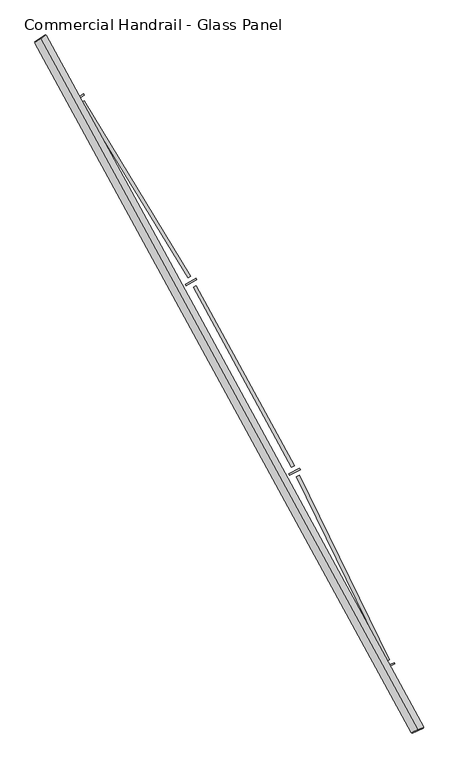
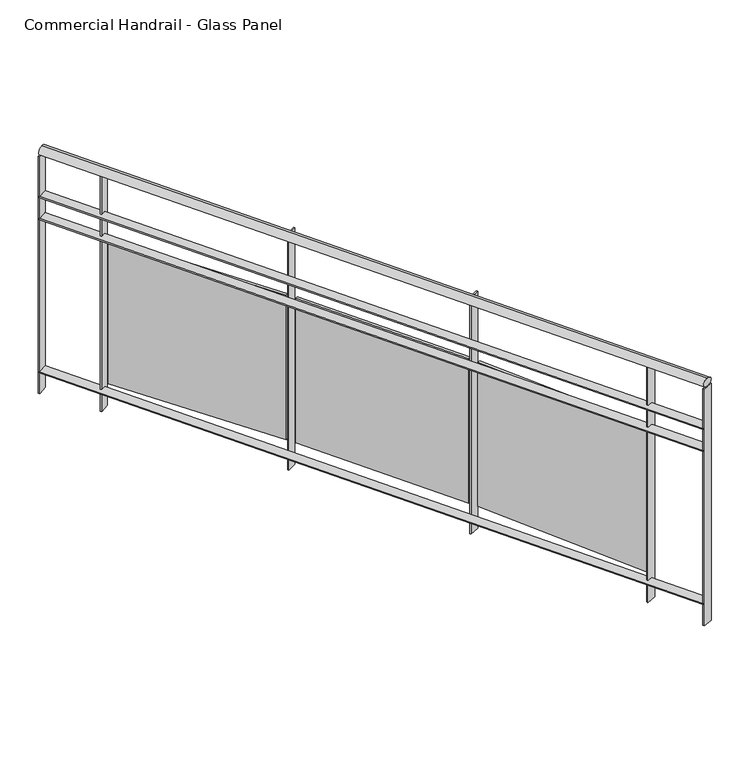
"""IFC4 building model written with IfcOpenShell, lengths in millimetres: railing geometry, Commercial Handrail - Glass Panel."""

from ifc_helpers import new_model, si_unit, point, frame, origin, place, context, project, spatial, polyline, circle_curve, ellipse_curve, trimmed, outline, extrude, source, transform, mapped, element, save
from ifc_brep_helpers import plane_surface, cylinder_surface, revolved_surface, advanced_brep


def commercial_handrail_glass_panel_5b20553d(model_context):
    return source(origin(), model_context, "Body", "SolidModel", [
        advanced_brep(
        [(152681.2087099, -42805.7971709, 19682.5), (154079.9485011, -45365.2391742, 19682.5), (154079.9485011, -45365.2391742, 19717.5), (152681.2087099, -42805.7971709, 19717.5)],
        [
            (0, 1, circle_curve(frame((138512.5563245, -52210.9198633, 19682.5), z_axis=(0.0, 0.0, -1.0), x_axis=(0.9154011077709024, 0.40254293173747885, 0.0)), 17006.0884179)),
            (1, 2, ellipse_curve(frame((154079.9485011, -45365.2391742, 19700.0), z_axis=(-0.4025429317374835, 0.9154011077709004, 0.0), x_axis=(0.9154011077709004, 0.4025429317374835, 0.0)), 25.0, 17.5)),
            (2, 3, circle_curve(frame((138512.5563245, -52210.9198633, 19717.5), z_axis=(0.0, 0.0, 1.0), x_axis=(0.9154011077709024, 0.40254293173747885, 0.0)), 17006.0884179)),
            (3, 0, ellipse_curve(frame((152681.2087099, -42805.7971709, 19700.0), z_axis=(0.5530444427532936, -0.8331517534877418, 0.0), x_axis=(0.8331517534877418, 0.5530444427532936, 0.0)), 25.0, 17.5)),
            (2, 1, ellipse_curve(frame((154079.9485011, -45365.2391742, 19700.0), z_axis=(-0.4025429317374835, 0.9154011077709004, 0.0), x_axis=(0.9154011077709004, 0.4025429317374835, 0.0)), 25.0, 17.5)),
            (0, 3, ellipse_curve(frame((152681.2087099, -42805.7971709, 19700.0), z_axis=(0.5530444427532936, -0.8331517534877418, 0.0), x_axis=(0.8331517534877418, 0.5530444427532936, 0.0)), 25.0, 17.5)),
        ],
        [
            revolved_surface(trimmed(ellipse_curve(frame((154079.9485011, -45365.2391742, 19700.0), z_axis=(0.40254293173747885, -0.9154011077709024, 0.0), x_axis=(0.0, 0.0, -1.0)), 17.5, 25.0), [point((154079.9485011, -45365.2391742, 19717.5))], [point((154079.9485011, -45365.2391742, 19682.5))], True, "CARTESIAN"), (138512.5563245, -52210.9198633, 19700.0), (0.0, 0.0, 1.0)),
            revolved_surface(trimmed(ellipse_curve(frame((154079.9485011, -45365.2391742, 19700.0), z_axis=(0.40254293173747885, -0.9154011077709024, 0.0), x_axis=(0.0, 0.0, -1.0)), 17.5, 25.0), [point((154079.9485011, -45365.2391742, 19682.5))], [point((154079.9485011, -45365.2391742, 19717.5))], True, "CARTESIAN"), (138512.5563245, -52210.9198633, 19700.0), (0.0, 0.0, 1.0)),
            plane_surface(frame((154079.9485011, -45365.2391742, 19700.0), z_axis=(0.4025429317374789, -0.9154011077709026, 0.0), x_axis=(0.9154011077709026, 0.4025429317374789, 0.0))),
            plane_surface(frame((152681.2087099, -42805.7971709, 19700.0), z_axis=(-0.5530444427532946, 0.8331517534877412, 0.0), x_axis=(0.8331517534877412, 0.5530444427532946, 0.0))),
        ],
        [
            (0, [[1, 2, 3, 4]]),
            (1, [[-3, 5, -1, 6]]),
            (2, [[-2, -5]]),
            (3, [[-6, -4]]),
        ],
    ),
        advanced_brep(
        [(152662.4627954, -42818.2406708, 19500.0), (154059.3519762, -45374.2963902, 19500.0), (154100.545026, -45356.1819583, 19500.0), (152699.9546243, -42793.3536709, 19500.0), (152662.4627954, -42818.2406708, 19494.0), (154059.3519762, -45374.2963902, 19494.0), (152699.9546243, -42793.3536709, 19494.0), (154100.545026, -45356.1819583, 19494.0)],
        [
            (0, 1, circle_curve(frame((138512.5563245, -52210.9198633, 19500.0), z_axis=(0.0, 0.0, -1.0), x_axis=(0.9154011077709024, 0.40254293173747885, 0.0)), 16983.5884179)),
            (1, 2),
            (2, 3, circle_curve(frame((138512.5563245, -52210.9198633, 19500.0), z_axis=(0.0, 0.0, 1.0), x_axis=(0.9154011077709024, 0.40254293173747885, 0.0)), 17028.5884179)),
            (3, 0),
            (4, 5, circle_curve(frame((138512.5563245, -52210.9198633, 19494.0), z_axis=(0.0, 0.0, -1.0), x_axis=(0.9154011077709024, 0.40254293173747885, 0.0)), 16983.5884179)),
            (5, 1),
            (0, 4),
            (6, 7, circle_curve(frame((138512.5563245, -52210.9198633, 19494.0), z_axis=(0.0, 0.0, -1.0), x_axis=(0.9154011077709024, 0.40254293173747885, 0.0)), 17028.5884179)),
            (7, 5),
            (4, 6),
            (2, 7),
            (6, 3),
        ],
        [
            plane_surface(frame((138512.5563245, -52210.9198633, 19500.0), z_axis=(0.0, 0.0, 1.0000000000000002), x_axis=(0.9154011077709026, 0.4025429317374789, 0.0))),
            revolved_surface(polyline([(154059.35197617073, -45374.296390135845, 19500.0), (154059.35197617073, -45374.296390135845, 19494.0)]), (138512.5563245, -52210.9198633, 19500.0), (0.0, 0.0, 1.0)),
            plane_surface(frame((138512.5563245, -52210.9198633, 19494.0), z_axis=(0.0, 0.0, -1.0000000000000002), x_axis=(0.9154011077709026, 0.4025429317374789, 0.0))),
            cylinder_surface(frame((138512.5563245, -52210.9198633, 19500.0), z_axis=(0.0, 0.0, 1.0), x_axis=(0.9154011077709024, 0.40254293173747885, 0.0)), 17028.5884179),
            plane_surface(frame((154079.9485011, -45365.2391742, 19500.0), z_axis=(0.4025429317374789, -0.9154011077709026, 0.0), x_axis=(0.9154011077709026, 0.4025429317374789, 0.0))),
            plane_surface(frame((152681.2087099, -42805.7971709, 19500.0), z_axis=(-0.5530444427532946, 0.8331517534877412, 0.0), x_axis=(0.8331517534877412, 0.5530444427532946, 0.0))),
        ],
        [
            (0, [[1, 2, 3, 4]]),
            (1, [[5, 6, -1, 7]]),
            (2, [[8, 9, -5, 10]]),
            (3, [[-3, 11, -8, 12]]),
            (4, [[-2, -6, -9, -11]]),
            (5, [[-12, -10, -7, -4]]),
        ],
    ),
        advanced_brep(
        [(152662.4627954, -42818.2406708, 19400.0), (154059.3519762, -45374.2963902, 19400.0), (154100.545026, -45356.1819583, 19400.0), (152699.9546243, -42793.3536709, 19400.0), (152662.4627954, -42818.2406708, 19394.0), (154059.3519762, -45374.2963902, 19394.0), (152699.9546243, -42793.3536709, 19394.0), (154100.545026, -45356.1819583, 19394.0)],
        [
            (0, 1, circle_curve(frame((138512.5563245, -52210.9198633, 19400.0), z_axis=(0.0, 0.0, -1.0), x_axis=(0.9154011077709024, 0.40254293173747885, 0.0)), 16983.5884179)),
            (1, 2),
            (2, 3, circle_curve(frame((138512.5563245, -52210.9198633, 19400.0), z_axis=(0.0, 0.0, 1.0), x_axis=(0.9154011077709024, 0.40254293173747885, 0.0)), 17028.5884179)),
            (3, 0),
            (4, 5, circle_curve(frame((138512.5563245, -52210.9198633, 19394.0), z_axis=(0.0, 0.0, -1.0), x_axis=(0.9154011077709024, 0.40254293173747885, 0.0)), 16983.5884179)),
            (5, 1),
            (0, 4),
            (6, 7, circle_curve(frame((138512.5563245, -52210.9198633, 19394.0), z_axis=(0.0, 0.0, -1.0), x_axis=(0.9154011077709024, 0.40254293173747885, 0.0)), 17028.5884179)),
            (7, 5),
            (4, 6),
            (2, 7),
            (6, 3),
        ],
        [
            plane_surface(frame((138512.5563245, -52210.9198633, 19400.0), z_axis=(0.0, 0.0, 1.0000000000000002), x_axis=(0.9154011077709026, 0.4025429317374789, 0.0))),
            revolved_surface(polyline([(154059.35197617073, -45374.296390135845, 19400.0), (154059.35197617073, -45374.296390135845, 19394.0)]), (138512.5563245, -52210.9198633, 19400.0), (0.0, 0.0, 1.0)),
            plane_surface(frame((138512.5563245, -52210.9198633, 19394.0), z_axis=(0.0, 0.0, -1.0000000000000002), x_axis=(0.9154011077709026, 0.4025429317374789, 0.0))),
            cylinder_surface(frame((138512.5563245, -52210.9198633, 19400.0), z_axis=(0.0, 0.0, 1.0), x_axis=(0.9154011077709024, 0.40254293173747885, 0.0)), 17028.5884179),
            plane_surface(frame((154079.9485011, -45365.2391742, 19400.0), z_axis=(0.4025429317374789, -0.9154011077709026, 0.0), x_axis=(0.9154011077709026, 0.4025429317374789, 0.0))),
            plane_surface(frame((152681.2087099, -42805.7971709, 19400.0), z_axis=(-0.5530444427532946, 0.8331517534877412, 0.0), x_axis=(0.8331517534877412, 0.5530444427532946, 0.0))),
        ],
        [
            (0, [[1, 2, 3, 4]]),
            (1, [[5, 6, -1, 7]]),
            (2, [[8, 9, -5, 10]]),
            (3, [[-3, 11, -8, 12]]),
            (4, [[-2, -6, -9, -11]]),
            (5, [[-12, -10, -7, -4]]),
        ],
    ),
        advanced_brep(
        [(152662.4627954, -42818.2406708, 18700.0), (154059.3519762, -45374.2963902, 18700.0), (154100.545026, -45356.1819583, 18700.0), (152699.9546243, -42793.3536709, 18700.0), (152662.4627954, -42818.2406708, 18694.0), (154059.3519762, -45374.2963902, 18694.0), (152699.9546243, -42793.3536709, 18694.0), (154100.545026, -45356.1819583, 18694.0)],
        [
            (0, 1, circle_curve(frame((138512.5563245, -52210.9198633, 18700.0), z_axis=(0.0, 0.0, -1.0), x_axis=(0.9154011077709024, 0.40254293173747885, 0.0)), 16983.5884179)),
            (1, 2),
            (2, 3, circle_curve(frame((138512.5563245, -52210.9198633, 18700.0), z_axis=(0.0, 0.0, 1.0), x_axis=(0.9154011077709024, 0.40254293173747885, 0.0)), 17028.5884179)),
            (3, 0),
            (4, 5, circle_curve(frame((138512.5563245, -52210.9198633, 18694.0), z_axis=(0.0, 0.0, -1.0), x_axis=(0.9154011077709024, 0.40254293173747885, 0.0)), 16983.5884179)),
            (5, 1),
            (0, 4),
            (6, 7, circle_curve(frame((138512.5563245, -52210.9198633, 18694.0), z_axis=(0.0, 0.0, -1.0), x_axis=(0.9154011077709024, 0.40254293173747885, 0.0)), 17028.5884179)),
            (7, 5),
            (4, 6),
            (2, 7),
            (6, 3),
        ],
        [
            plane_surface(frame((138512.5563245, -52210.9198633, 18700.0), z_axis=(0.0, 0.0, 1.0000000000000002), x_axis=(0.9154011077709026, 0.4025429317374789, 0.0))),
            revolved_surface(polyline([(154059.35197617073, -45374.296390135845, 18700.0), (154059.35197617073, -45374.296390135845, 18694.0)]), (138512.5563245, -52210.9198633, 18700.0), (0.0, 0.0, 1.0)),
            plane_surface(frame((138512.5563245, -52210.9198633, 18694.0), z_axis=(0.0, 0.0, -1.0000000000000002), x_axis=(0.9154011077709026, 0.4025429317374789, 0.0))),
            cylinder_surface(frame((138512.5563245, -52210.9198633, 18700.0), z_axis=(0.0, 0.0, 1.0), x_axis=(0.9154011077709024, 0.40254293173747885, 0.0)), 17028.5884179),
            plane_surface(frame((154079.9485011, -45365.2391742, 18700.0), z_axis=(0.4025429317374789, -0.9154011077709026, 0.0), x_axis=(0.9154011077709026, 0.4025429317374789, 0.0))),
            plane_surface(frame((152681.2087099, -42805.7971709, 18700.0), z_axis=(-0.5530444427532946, 0.8331517534877412, 0.0), x_axis=(0.8331517534877412, 0.5530444427532946, 0.0))),
        ],
        [
            (0, [[1, 2, 3, 4]]),
            (1, [[5, 6, -1, 7]]),
            (2, [[8, 9, -5, 10]]),
            (3, [[-3, 11, -8, 12]]),
            (4, [[-2, -6, -9, -11]]),
            (5, [[-12, -10, -7, -4]]),
        ],
    ),
        extrude(outline(polyline([(152843.9746071, -43014.0028518), (152806.1064717, -43038.3134324), (152802.865061, -43033.2643477), (152840.7331963, -43008.9537671), (152843.9746071, -43014.0028518)])), frame((0.0, 0.0, 18600.0), z_axis=(0.0, 0.0, 1.0), x_axis=(1.0, 0.0, 0.0)), (0.0, 0.0, 1.0), 1082.1192282),
        extrude(outline(polyline([(153228.1233935, -43690.3863087), (152832.6997466, -43041.3561558), (152842.9475911, -43035.1126245), (153238.371238, -43684.1427775), (153228.1233935, -43690.3863087)])), frame((0.0, 0.0, 18720.0), z_axis=(0.0, 0.0, 1.0), x_axis=(1.0, 0.0, 0.0)), (0.0, 0.0, 1.0), 660.0),
        extrude(outline(polyline([(153260.6017897, -43698.1067288), (153221.6323507, -43720.6096803), (153218.6319572, -43715.4137551), (153257.6013961, -43692.9108036), (153260.6017897, -43698.1067288)])), frame((0.0, 0.0, 18600.0), z_axis=(0.0, 0.0, 1.0), x_axis=(1.0, 0.0, 0.0)), (0.0, 0.0, 1.0), 1082.1192282),
        extrude(outline(polyline([(153612.5189238, -44391.8063767), (153248.0531233, -43724.8995764), (153258.5832307, -43719.1448533), (153623.0490312, -44386.0516536), (153612.5189238, -44391.8063767)])), frame((0.0, 0.0, 18720.0), z_axis=(0.0, 0.0, 1.0), x_axis=(1.0, 0.0, 0.0)), (0.0, 0.0, 1.0), 660.0),
        extrude(outline(polyline([(153644.5983402, -44401.0455404), (153604.6138191, -44421.6910742), (153601.8610812, -44416.3598047), (153641.8456024, -44395.7142709), (153644.5983402, -44401.0455404)])), frame((0.0, 0.0, 18600.0), z_axis=(0.0, 0.0, 1.0), x_axis=(1.0, 0.0, 0.0)), (0.0, 0.0, 1.0), 1082.1192282),
        extrude(outline(polyline([(153963.5051916, -45110.5265416), (153630.8036324, -44427.2186516), (153641.5927043, -44421.965469), (153974.2942635, -45105.273359), (153963.5051916, -45110.5265416)])), frame((0.0, 0.0, 18720.0), z_axis=(0.0, 0.0, 1.0), x_axis=(1.0, 0.0, 0.0)), (0.0, 0.0, 1.0), 660.0),
        extrude(outline(polyline([(153995.1146513, -45121.2640068), (153954.2035152, -45140.0064439), (153951.7045236, -45134.5516257), (153992.6156597, -45115.8091887), (153995.1146513, -45121.2640068)])), frame((0.0, 0.0, 18600.0), z_axis=(0.0, 0.0, 1.0), x_axis=(1.0, 0.0, 0.0)), (0.0, 0.0, 1.0), 1082.1192282),
        extrude(outline(polyline([(152701.6137576, -42795.8531262), (152664.1219287, -42820.7401261), (152660.8036621, -42815.7412156), (152698.295491, -42790.8542156), (152701.6137576, -42795.8531262)])), frame((0.0, 0.0, 18600.0), z_axis=(0.0, 0.0, 1.0), x_axis=(1.0, 0.0, 0.0)), (0.0, 0.0, 1.0), 1082.1192282),
        extrude(outline(polyline([(154101.7526548, -45358.9281616), (154060.559605, -45377.0425935), (154058.1443474, -45371.5501869), (154099.3373972, -45353.4357549), (154101.7526548, -45358.9281616)])), frame((0.0, 0.0, 18600.0), z_axis=(0.0, 0.0, 1.0), x_axis=(1.0, 0.0, 0.0)), (0.0, 0.0, 1.0), 1082.1192282),
    ])


if __name__ == "__main__":
    model = new_model("IFC4")
    model_context = context("Model", 3, world=origin())
    ifc_project = project(units=[si_unit("LENGTHUNIT", "METRE", prefix="MILLI")], contexts=[model_context])
    site = spatial("IfcSite", under=ifc_project)
    building = spatial("IfcBuilding", under=site)
    placement = place(None, origin())
    commercial_handrail_glass_panel_shape = commercial_handrail_glass_panel_5b20553d(model_context)
    element("IfcRailing", 1, ObjectType="Commercial Handrail - Glass Panel", at=placement, inside=building, context=model_context, shape_type="MappedRepresentation", body=[
        mapped(commercial_handrail_glass_panel_shape, transform((0.0, 0.0, 0.0), x_axis=(1.0, 0.0, 0.0), y_axis=(0.0, 1.0, 0.0), z_axis=(0.0, 0.0, 1.0))),
    ])
    save(model, "model.ifc")
